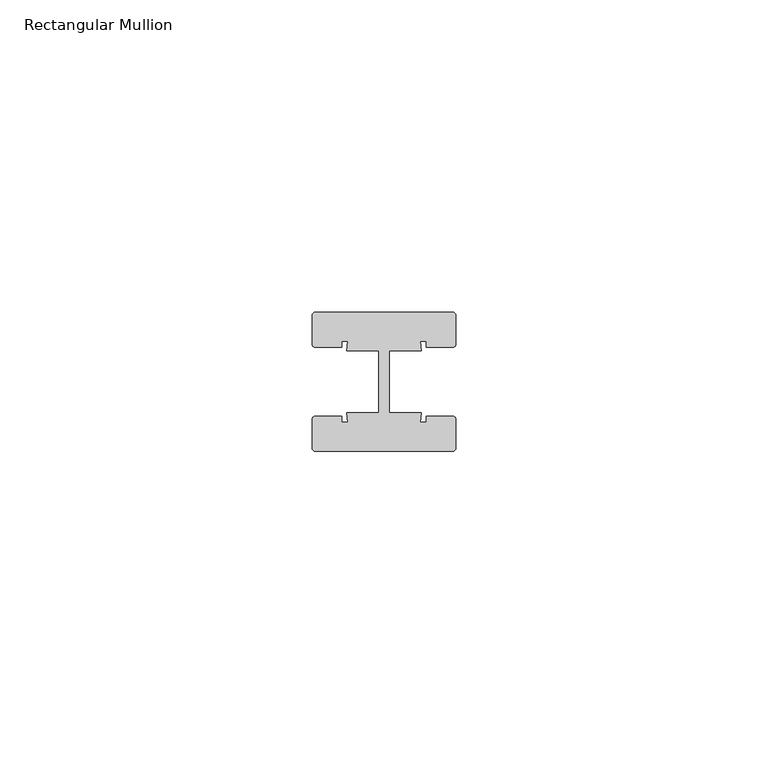
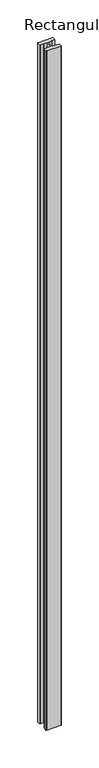
"""IFC4 building model written with IfcOpenShell, lengths in millimetres: member geometry, Rectangular Mullion."""

import ifcopenshell
import ifcopenshell.guid

model = None  # the IFC model being written
_history = None  # IfcOwnerHistory: only IFC2X3 demands one
_inside = {}  # id of a spatial element -> (the spatial element, [elements in it])
_under = {}  # id of a project, library or spatial element -> (it, [spatial elements below it])
_declared = {}  # id of a project -> (the project, [libraries it declares])
_typed = {}  # id of a type object -> (the type object, [elements of that type])
_made_of = {}  # id of a material, layer set ... -> (it, [elements and type objects made of it])


def new_model(schema):
    """Start an empty IFC model of exactly this schema.

    Asked for "IFC4X3", IfcOpenShell would pick the latest addendum, in which some entities
    have other attributes; the version numbers below select the first issue.
    IFC2X3 requires an IfcOwnerHistory on every rooted entity: one is made here for all.
    """
    global model, _history
    if schema == "IFC4X3":
        model = ifcopenshell.file(schema_version=(4, 3, 0, 0))
    else:
        model = ifcopenshell.file(schema=schema)
    _inside.clear()
    _under.clear()
    _declared.clear()
    _typed.clear()
    _made_of.clear()
    _history = None
    if model.schema == "IFC2X3":
        org = make("IfcOrganization", Name="unknown")
        user = make(
            "IfcPersonAndOrganization",
            ThePerson=make("IfcPerson", FamilyName="unknown"),
            TheOrganization=org,
        )
        app = make(
            "IfcApplication",
            ApplicationDeveloper=org,
            Version="unknown",
            ApplicationFullName="unknown",
            ApplicationIdentifier="unknown",
        )
        _history = make(
            "IfcOwnerHistory",
            OwningUser=user,
            OwningApplication=app,
            ChangeAction="ADDED",
            CreationDate=0,
        )
    return model


def make(cls, **values):
    """One entity of the class cls with the attributes given. An attribute that is None is left unset."""
    return model.create_entity(
        cls, **{name: value for name, value in values.items() if value is not None}
    )


def rooted(cls, **values):
    """An entity with a GlobalId (a new one), such as an element, a storey or a relation."""
    return make(cls, GlobalId=ifcopenshell.guid.new(), OwnerHistory=_history, **values)


def si_unit(unit_type, name, prefix=None):
    """IfcSIUnit, for example si_unit("LENGTHUNIT", "METRE", prefix="MILLI")."""
    return make("IfcSIUnit", UnitType=unit_type, Prefix=prefix, Name=name)


def assignment(units):
    """IfcUnitAssignment: the units of a project."""
    return None if units is None else make("IfcUnitAssignment", Units=units)


def point(xyz):
    """IfcCartesianPoint."""
    return None if xyz is None else make("IfcCartesianPoint", Coordinates=xyz)


def direction(xyz):
    """IfcDirection."""
    return None if xyz is None else make("IfcDirection", DirectionRatios=xyz)


def frame(location, z_axis=None, x_axis=None):
    """IfcAxis2Placement3D, a coordinate frame: its origin and axes. An axis left out is left unset."""
    return make(
        "IfcAxis2Placement3D",
        Location=point(location),
        Axis=direction(z_axis),
        RefDirection=direction(x_axis),
    )


def frame_2d(location, x_axis=None):
    """IfcAxis2Placement2D, a coordinate frame in the plane: its origin and x axis."""
    return make(
        "IfcAxis2Placement2D", Location=point(location), RefDirection=direction(x_axis)
    )


def origin():
    """The frame at (0, 0, 0) with its axes left unset."""
    return frame((0.0, 0.0, 0.0))


def place(relative_to, where):
    """IfcLocalPlacement: puts the frame where relative to a parent placement (None: the world)."""
    return make(
        "IfcLocalPlacement", PlacementRelTo=relative_to, RelativePlacement=where
    )


def context(
    kind, dimensions, precision=None, world=None, true_north=None, identifier=None
):
    """IfcGeometricRepresentationContext, for example the 3D "Model" context."""
    return make(
        "IfcGeometricRepresentationContext",
        ContextIdentifier=identifier,
        ContextType=kind,
        CoordinateSpaceDimension=dimensions,
        Precision=precision,
        WorldCoordinateSystem=world,
        TrueNorth=true_north,
    )


def project(units=None, contexts=None):
    """IfcProject with its units and contexts."""
    return rooted(
        "IfcProject",
        Name="project",
        RepresentationContexts=contexts,
        UnitsInContext=assignment(units),
    )


def spatial(cls, under=None, at=None, **own):
    """A site, building, storey or space (cls), placed at a placement, below another one or the project."""
    s = rooted(cls, ObjectPlacement=at, **own)
    if under is not None:
        _under.setdefault(under.id(), (under, []))[1].append(s)
    return s


def polyline(points):
    """IfcPolyline through the points."""
    return make("IfcPolyline", Points=[point(p) for p in points])


def circle_curve(where, radius):
    """IfcCircle in the frame where."""
    return make("IfcCircle", Position=where, Radius=radius)


def trimmed(basis, trim1, trim2, sense, master):
    """IfcTrimmedCurve: the piece of a basis curve between two trims."""
    return make(
        "IfcTrimmedCurve",
        BasisCurve=basis,
        Trim1=trim1,
        Trim2=trim2,
        SenseAgreement=sense,
        MasterRepresentation=master,
    )


def segment(curve, same_sense, transition):
    """IfcCompositeCurveSegment."""
    return make(
        "IfcCompositeCurveSegment",
        Transition=transition,
        SameSense=same_sense,
        ParentCurve=curve,
    )


def composite_curve(segments, self_intersect=None):
    """IfcCompositeCurve: segments joined end to end."""
    return make("IfcCompositeCurve", Segments=segments, SelfIntersect=self_intersect)


def outline(outer, holes=None, kind="AREA"):
    """IfcArbitraryClosedProfileDef: a profile drawn as a closed curve; with holes, ...WithVoids."""
    if holes is None:
        return make("IfcArbitraryClosedProfileDef", ProfileType=kind, OuterCurve=outer)
    return make(
        "IfcArbitraryProfileDefWithVoids",
        ProfileType=kind,
        OuterCurve=outer,
        InnerCurves=holes,
    )


def extrude(swept, where, along, depth):
    """IfcExtrudedAreaSolid: the profile swept, set in the frame where, extruded along a direction by depth."""
    return make(
        "IfcExtrudedAreaSolid",
        SweptArea=swept,
        Position=where,
        ExtrudedDirection=direction(along),
        Depth=depth,
    )


def shape(context_of_items, identifier, shape_type, items):
    """IfcShapeRepresentation: the items that make up one representation, for example the "Body"."""
    return make(
        "IfcShapeRepresentation",
        ContextOfItems=context_of_items,
        RepresentationIdentifier=identifier,
        RepresentationType=shape_type,
        Items=items,
    )


def source(mapping_origin, context_of_items, identifier, shape_type, items):
    """IfcRepresentationMap: a shape defined once, which mapped items show again and again."""
    return make(
        "IfcRepresentationMap",
        MappingOrigin=mapping_origin,
        MappedRepresentation=shape(context_of_items, identifier, shape_type, items),
    )


def transform(
    local_origin,
    x_axis=None,
    y_axis=None,
    z_axis=None,
    scale=None,
    scale2=None,
    scale3=None,
    uniform=True,
):
    """IfcCartesianTransformationOperator3D, or its non-uniform kind. x_axis, y_axis, z_axis: its Axis1, 2, 3."""
    if uniform:
        return make(
            "IfcCartesianTransformationOperator3D",
            Axis1=direction(x_axis),
            Axis2=direction(y_axis),
            LocalOrigin=point(local_origin),
            Scale=scale,
            Axis3=direction(z_axis),
        )
    return make(
        "IfcCartesianTransformationOperator3DnonUniform",
        Axis1=direction(x_axis),
        Axis2=direction(y_axis),
        LocalOrigin=point(local_origin),
        Scale=scale,
        Axis3=direction(z_axis),
        Scale2=scale2,
        Scale3=scale3,
    )


def mapped(mapping_source, mapping_target):
    """IfcMappedItem: shows the shape of a source again, moved by a transform."""
    return make(
        "IfcMappedItem", MappingSource=mapping_source, MappingTarget=mapping_target
    )


def made_of(thing, what):
    """Note that an element or type object is made of a material, layer set ...; save() writes the relation."""
    if what is not None:
        _made_of.setdefault(what.id(), (what, []))[1].append(thing)
    return thing


def element(
    cls,
    number,
    at=None,
    inside=None,
    cuts=None,
    type_object=None,
    material=None,
    context=None,
    identifier="Body",
    shape_type=None,
    held_by="IfcProductDefinitionShape",
    body=None,
    shapes=None,
    **own,
):
    """One element of the class cls, such as IfcWall. Its Tag is "e" and its number.

    at: its placement. inside: the storey or other place that contains it. cuts: it is an
    opening in that element (IfcRelVoidsElement). A single representation is given by context,
    identifier, shape_type and body (its items); several are given by shapes. held_by: the class
    of the entity that holds the representations. save() writes the other relations.
    """
    e = rooted(cls, Tag="e%d" % number, ObjectPlacement=at, **own)
    if body is not None:
        shapes = [shape(context, identifier, shape_type, body)]
    if shapes is not None:
        e.Representation = make(held_by, Representations=shapes)
    if inside is not None:
        _inside.setdefault(inside.id(), (inside, []))[1].append(e)
    if cuts is not None:
        rooted(
            "IfcRelVoidsElement", RelatingBuildingElement=cuts, RelatedOpeningElement=e
        )
    if type_object is not None:
        _typed.setdefault(type_object.id(), (type_object, []))[1].append(e)
    return made_of(e, material)


def aggregate(whole, parts):
    """IfcRelAggregates: a whole, such as a stair, and the parts it consists of."""
    return rooted("IfcRelAggregates", RelatingObject=whole, RelatedObjects=parts)


def save(model, path):
    """Write the relations noted so far, then the file.

    IfcRelAggregates (storeys below a building ...), IfcRelContainedInSpatialStructure (elements
    in a storey), IfcRelDefinesByType, IfcRelAssociatesMaterial and IfcRelDeclares: one each for
    every whole, place, type object, material and project.
    """
    for whole, parts in _under.values():
        aggregate(whole, parts)
    for where, things in _inside.values():
        rooted(
            "IfcRelContainedInSpatialStructure",
            RelatedElements=things,
            RelatingStructure=where,
        )
    for kind, things in _typed.values():
        rooted("IfcRelDefinesByType", RelatedObjects=things, RelatingType=kind)
    for what, things in _made_of.values():
        rooted("IfcRelAssociatesMaterial", RelatedObjects=things, RelatingMaterial=what)
    for by, libraries in _declared.values():
        rooted("IfcRelDeclares", RelatingContext=by, RelatedDefinitions=libraries)
    model.write(path)


def rectangular_mullion_4bde2193(model_context):
    return source(origin(), model_context, "Body", "SweptSolid", [
        extrude(outline(composite_curve([segment(trimmed(circle_curve(frame_2d((-11.0, 10.64)), 0.5), [point((-11.5, 10.64))], [point((-11.0, 11.14))], False, "CARTESIAN"), True, "CONTINUOUS"), segment(polyline([(-11.0, 11.14), (11.0, 11.14)]), True, "CONTINUOUS"), segment(trimmed(circle_curve(frame_2d((11.0, 10.64)), 0.5), [point((11.0, 11.14))], [point((11.5, 10.64))], False, "CARTESIAN"), True, "CONTINUOUS"), segment(polyline([(11.5, 10.64), (11.5, 6.0)]), True, "CONTINUOUS"), segment(trimmed(circle_curve(frame_2d((11.0, 6.0)), 0.5), [point((11.5, 6.0))], [point((11.0, 5.5))], False, "CARTESIAN"), True, "CONTINUOUS"), segment(polyline([(11.0, 5.5), (6.75, 5.5), (6.75, 6.5), (5.7984177, 6.5), (6.0, 5.0), (0.840625, 5.0), (0.840625, -5.0), (6.0, -5.0), (5.7984177, -6.5), (6.75, -6.5), (6.75, -5.5), (11.0, -5.5)]), True, "CONTINUOUS"), segment(trimmed(circle_curve(frame_2d((11.0, -6.0)), 0.5), [point((11.0, -5.5))], [point((11.5, -6.0))], False, "CARTESIAN"), True, "CONTINUOUS"), segment(polyline([(11.5, -6.0), (11.5, -10.64)]), True, "CONTINUOUS"), segment(trimmed(circle_curve(frame_2d((11.0, -10.64)), 0.5), [point((11.5, -10.64))], [point((11.0, -11.14))], False, "CARTESIAN"), True, "CONTINUOUS"), segment(polyline([(11.0, -11.14), (-11.0, -11.14)]), True, "CONTINUOUS"), segment(trimmed(circle_curve(frame_2d((-11.0, -10.64)), 0.5), [point((-11.0, -11.14))], [point((-11.5, -10.64))], False, "CARTESIAN"), True, "CONTINUOUS"), segment(polyline([(-11.5, -10.64), (-11.5, -6.0)]), True, "CONTINUOUS"), segment(trimmed(circle_curve(frame_2d((-11.0, -6.0)), 0.5), [point((-11.5, -6.0))], [point((-11.0, -5.5))], False, "CARTESIAN"), True, "CONTINUOUS"), segment(polyline([(-11.0, -5.5), (-6.75, -5.5), (-6.75, -6.5), (-5.7984177, -6.5), (-6.0, -5.0), (-0.840625, -5.0), (-0.840625, 5.0), (-6.0, 5.0), (-5.7984177, 6.5), (-6.75, 6.5), (-6.75, 5.5), (-11.0, 5.5)]), True, "CONTINUOUS"), segment(trimmed(circle_curve(frame_2d((-11.0, 6.0)), 0.5), [point((-11.0, 5.5))], [point((-11.5, 6.0))], False, "CARTESIAN"), True, "CONTINUOUS"), segment(polyline([(-11.5, 6.0), (-11.5, 10.64)]), True, "CONTINUOUS")], self_intersect=False)), frame((0.0, 0.0, -1097.6162499), z_axis=(0.0, 0.0, 1.0), x_axis=(1.0, 0.0, 0.0)), (0.0, 0.0, 1.0), 1097.6162499),
    ])


if __name__ == "__main__":
    model = new_model("IFC4")
    model_context = context("Model", 3, world=origin())
    ifc_project = project(units=[si_unit("LENGTHUNIT", "METRE", prefix="MILLI")], contexts=[model_context])
    site = spatial("IfcSite", under=ifc_project)
    building = spatial("IfcBuilding", under=site)
    placement = place(None, origin())
    rectangular_mullion_shape = rectangular_mullion_4bde2193(model_context)
    element("IfcMember", 1, ObjectType="Rectangular Mullion", at=placement, inside=building, context=model_context, shape_type="MappedRepresentation", body=[
        mapped(rectangular_mullion_shape, transform((0.0, 0.0, 0.0), x_axis=(1.0, 0.0, 0.0), y_axis=(0.0, 1.0, 0.0), z_axis=(0.0, 0.0, 1.0))),
    ])
    save(model, "model.ifc")
